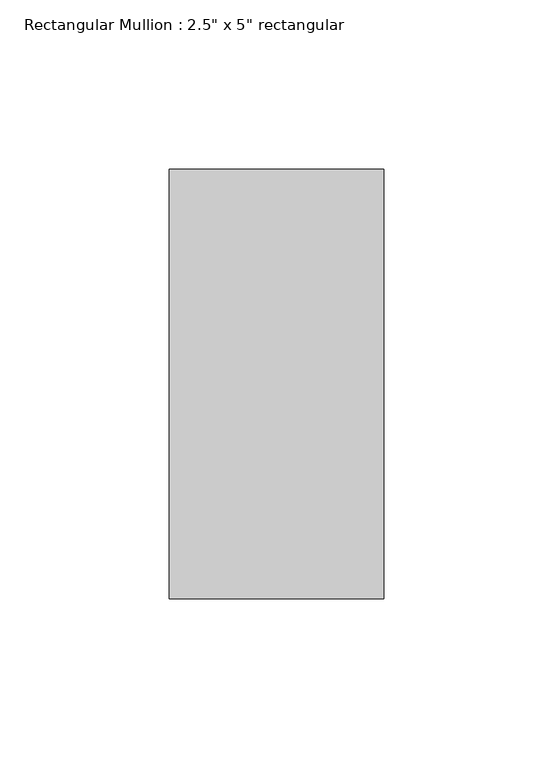
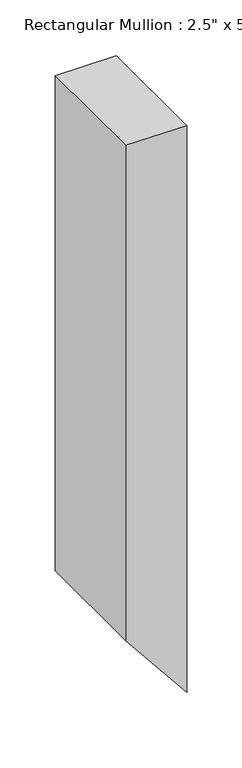
"""IFC4 building model written with IfcOpenShell, lengths in millimetres: member geometry."""

from ifc_helpers import new_model, si_unit, frame, origin, place, context, project, spatial, polyline, outline, extrude, source, transform, mapped, element, save


def member_6d7d7bb9(model_context):
    return source(origin(), model_context, "Body", "SweptSolid", [
        extrude(outline(polyline([(0.0, 0.0), (0.4750437, -63.5), (-545.4886068, -63.5), (-624.8959776, 0.0), (0.0, 0.0)])), frame((0.0, -63.5, 0.0), z_axis=(0.0, 1.0, 0.0), x_axis=(0.0, 0.0, 1.0)), (0.0, 0.0, 1.0), 127.0),
    ])


if __name__ == "__main__":
    model = new_model("IFC4")
    model_context = context("Model", 3, world=origin())
    ifc_project = project(units=[si_unit("LENGTHUNIT", "METRE", prefix="MILLI")], contexts=[model_context])
    site = spatial("IfcSite", under=ifc_project)
    building = spatial("IfcBuilding", under=site)
    placement = place(None, origin())
    member_shape = member_6d7d7bb9(model_context)
    element("IfcMember", 1, ObjectType="Rectangular Mullion : 2.5\" x 5\" rectangular", at=placement, inside=building, context=model_context, shape_type="MappedRepresentation", body=[
        mapped(member_shape, transform((0.0, 0.0, 0.0), x_axis=(1.0, 0.0, 0.0), y_axis=(0.0, 1.0, 0.0), z_axis=(0.0, 0.0, 1.0))),
    ])
    save(model, "model.ifc")
